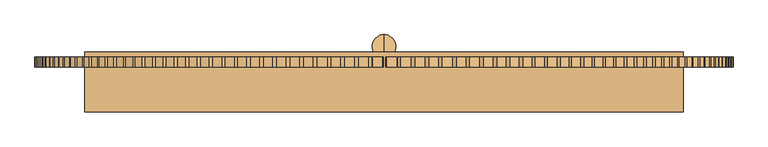
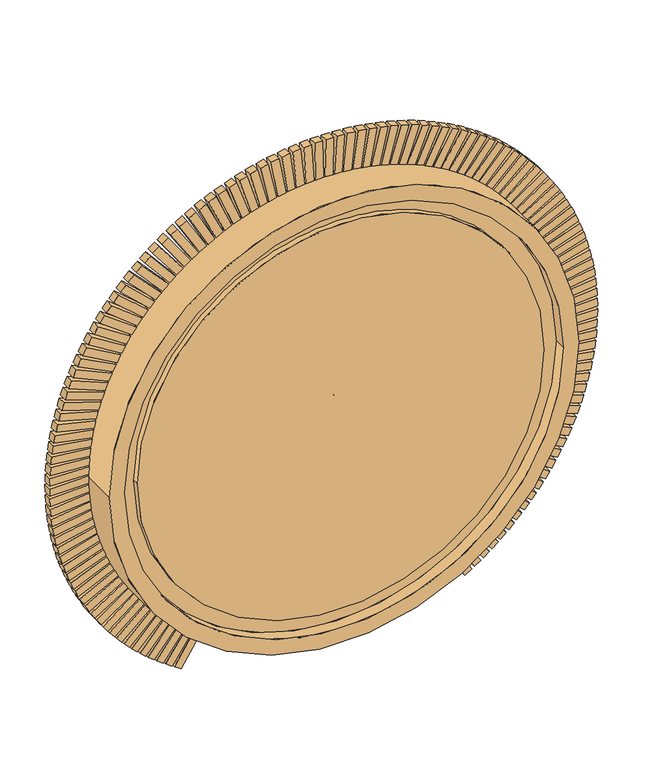
"""IFC4 building model written with IfcOpenShell, lengths in millimetres: door geometry."""

from ifc_helpers import new_model, si_unit, point, frame, frame_2d, origin, place, context, project, spatial, polyline, circle_curve, ellipse_curve, trimmed, segment, composite_curve, outline, extrude, source, transform, mapped, element, save
from ifc_brep_helpers import plane_surface, cylinder_surface, revolved_surface, advanced_brep


def door_62b0d976(model_context):
    return source(origin(), model_context, "Body", "SolidModel", [
        extrude(outline(composite_curve([segment(trimmed(circle_curve(frame_2d((1500.0, 0.0)), 1300.0), [point((1500.0, -1300.0))], [point((1500.0, 1300.0))], False, "CARTESIAN"), True, "CONTINUOUS"), segment(trimmed(circle_curve(frame_2d((1500.0, 0.0)), 1300.0), [point((1500.0, 1300.0))], [point((1500.0, -1300.0))], False, "CARTESIAN"), True, "CONTINUOUS")], self_intersect=False)), frame((0.0, -37.097788, 0.0), z_axis=(0.0, 1.0, 0.0), x_axis=(0.0, 0.0, 1.0)), (0.0, 0.0, 1.0), 74.4024931),
        advanced_brep(
        [(1400.0, 0.0, 1500.0), (-1400.0, 0.0, 1500.0), (-1300.0, 0.0, 1500.0), (1300.0, 0.0, 1500.0), (-1400.0, -75.0, 1500.0), (1400.0, -75.0, 1500.0), (1500.0, -75.0, 1500.0), (-1500.0, -75.0, 1500.0), (-1400.0, 150.0, 1500.0), (1400.0, 150.0, 1500.0), (1300.0, 150.0, 1500.0), (-1300.0, 150.0, 1500.0), (-1500.0, 225.0, 1500.0), (1500.0, 225.0, 1500.0), (1400.0, 225.0, 1500.0), (-1400.0, 225.0, 1500.0)],
        [
            (0, 1, circle_curve(frame((0.0, 0.0, 1500.0), z_axis=(0.0, -1.0, 0.0), x_axis=(1.0, 0.0, 0.0)), 1400.0)),
            (1, 0, circle_curve(frame((0.0, 0.0, 1500.0), z_axis=(0.0, -1.0, 0.0), x_axis=(-1.0, 0.0, 0.0)), 1400.0)),
            (2, 3, circle_curve(frame((0.0, 0.0, 1500.0), z_axis=(0.0, 1.0, 0.0), x_axis=(1.0, 0.0, 0.0)), 1300.0)),
            (3, 2, circle_curve(frame((0.0, 0.0, 1500.0), z_axis=(0.0, 1.0, 0.0), x_axis=(-1.0, 0.0, 0.0)), 1300.0)),
            (1, 4),
            (4, 5, circle_curve(frame((0.0, -75.0, 1500.0), z_axis=(0.0, -1.0, 0.0), x_axis=(-1.0, 0.0, 0.0)), 1400.0)),
            (5, 0),
            (6, 7, circle_curve(frame((0.0, -75.0, 1500.0), z_axis=(0.0, -1.0, 0.0), x_axis=(1.0, 0.0, 0.0)), 1500.0)),
            (7, 6, circle_curve(frame((0.0, -75.0, 1500.0), z_axis=(0.0, -1.0, 0.0), x_axis=(-1.0, 0.0, 0.0)), 1500.0)),
            (4, 5, circle_curve(frame((0.0, -75.0, 1500.0), z_axis=(0.0, 1.0, 0.0), x_axis=(1.0, 0.0, 0.0)), 1400.0)),
            (8, 9, circle_curve(frame((0.0, 150.0, 1500.0), z_axis=(0.0, 1.0, 0.0), x_axis=(1.0, 0.0, 0.0)), 1400.0)),
            (9, 8, circle_curve(frame((0.0, 150.0, 1500.0), z_axis=(0.0, 1.0, 0.0), x_axis=(-1.0, 0.0, 0.0)), 1400.0)),
            (10, 11, circle_curve(frame((0.0, 150.0, 1500.0), z_axis=(0.0, -1.0, 0.0), x_axis=(1.0, 0.0, 0.0)), 1300.0)),
            (11, 10, circle_curve(frame((0.0, 150.0, 1500.0), z_axis=(0.0, -1.0, 0.0), x_axis=(-1.0, 0.0, 0.0)), 1300.0)),
            (11, 2),
            (3, 10),
            (12, 13, circle_curve(frame((0.0, 225.0, 1500.0), z_axis=(0.0, 1.0, 0.0), x_axis=(1.0, 0.0, 0.0)), 1500.0)),
            (13, 12, circle_curve(frame((0.0, 225.0, 1500.0), z_axis=(0.0, 1.0, 0.0), x_axis=(-1.0, 0.0, 0.0)), 1500.0)),
            (14, 15, circle_curve(frame((0.0, 225.0, 1500.0), z_axis=(0.0, -1.0, 0.0), x_axis=(1.0, 0.0, 0.0)), 1400.0)),
            (15, 14, circle_curve(frame((0.0, 225.0, 1500.0), z_axis=(0.0, -1.0, 0.0), x_axis=(-1.0, 0.0, 0.0)), 1400.0)),
            (15, 8),
            (9, 14),
            (7, 12),
            (13, 6),
        ],
        [
            plane_surface(frame((0.0, 0.0, 1500.0), z_axis=(0.0, -1.0, 0.0), x_axis=(1.0, 0.0, 0.0))),
            revolved_surface(polyline([(-1400.0, -75.0, 1500.0), (-1400.0, 0.0, 1500.0)]), (0.0, 150.0, 1500.0), (0.0, -1.0, 0.0)),
            plane_surface(frame((0.0, -75.0, 1500.0), z_axis=(0.0, -1.0, 0.0), x_axis=(1.0, 0.0, 0.0))),
            plane_surface(frame((0.0, 150.0, 1500.0), z_axis=(0.0, 1.0, 0.0), x_axis=(1.0, 0.0, 0.0))),
            revolved_surface(polyline([(-1300.0, 0.0, 1500.0), (-1300.0, 150.0, 1500.0)]), (0.0, 150.0, 1500.0), (0.0, -1.0, 0.0)),
            plane_surface(frame((0.0, 225.0, 1500.0), z_axis=(0.0, 1.0, 0.0), x_axis=(1.0, 0.0, 0.0))),
            revolved_surface(polyline([(-1400.0, 150.0, 1500.0), (-1400.0, 225.0, 1500.0)]), (0.0, 150.0, 1500.0), (0.0, -1.0, 0.0)),
            cylinder_surface(frame((0.0, 150.0, 1500.0), z_axis=(0.0, -1.0, 0.0), x_axis=(-1.0, 0.0, 0.0)), 1500.0),
            cylinder_surface(frame((0.0, 150.0, 1500.0), z_axis=(0.0, -1.0, 0.0), x_axis=(1.0, 0.0, 0.0)), 1500.0),
            revolved_surface(polyline([(1400.0, -75.0, 1500.0), (1400.0, 0.0, 1500.0)]), (0.0, 150.0, 1500.0), (0.0, -1.0, 0.0)),
            revolved_surface(polyline([(1300.0, 0.0, 1500.0), (1300.0, 150.0, 1500.0)]), (0.0, 150.0, 1500.0), (0.0, -1.0, 0.0)),
            revolved_surface(polyline([(1400.0, 150.0, 1500.0), (1400.0, 225.0, 1500.0)]), (0.0, 150.0, 1500.0), (0.0, -1.0, 0.0)),
        ],
        [
            (0, [[1, 2], [3, 4]]),
            (1, [[-2, 5, 6, 7]]),
            (2, [[8, 9], [10, -6]]),
            (3, [[11, 12], [13, 14]]),
            (4, [[-14, 15, -4, 16]]),
            (5, [[17, 18], [19, 20]]),
            (6, [[-20, 21, -12, 22]]),
            (7, [[-9, 23, -18, 24]]),
            (8, [[-8, -24, -17, -23]]),
            (9, [[-1, -7, -10, -5]]),
            (10, [[-13, -16, -3, -15]]),
            (11, [[-19, -22, -11, -21]]),
        ],
    ),
        extrude(outline(polyline([(0.0, -50.0), (0.0, 0.0), (50.7934681, 0.0), (50.7934681, -50.0), (0.0, -50.0)])), frame((-1010.03437, 150.0, 70.6800318), z_axis=(0.565379195530652, 0.0, 0.8248311131747595), x_axis=(0.0, 1.0, 0.0)), (0.0, 0.0, 1.0), 250.0),
        extrude(outline(polyline([(0.0, -50.0), (0.0, 0.0), (50.7934681, 0.0), (50.7934681, -50.0), (0.0, -50.0)])), frame((-1065.9524229, 150.0, 111.8824142), z_axis=(0.5976621262479884, 0.0, 0.8017480794169286), x_axis=(0.0, 1.0, 0.0)), (0.0, 0.0, 1.0), 250.0),
        extrude(outline(polyline([(0.0, -50.0), (0.0, 0.0), (50.7934681, 0.0), (50.7934681, -50.0), (0.0, -50.0)])), frame((-1120.1915858, 150.0, 155.2711012), z_axis=(0.629003730711468, 0.0, 0.777402281158896), x_axis=(0.0, 1.0, 0.0)), (0.0, 0.0, 1.0), 250.0),
        extrude(outline(polyline([(0.0, -49.9999999), (0.0, 0.0), (50.7934681, 0.0), (50.7934681, -49.9999999), (0.0, -49.9999999)])), frame((-1172.6664311, 150.0, 200.7777552), z_axis=(0.6593546454532913, 0.0, 0.7518320633753023), x_axis=(0.0, 1.0, 0.0)), (0.0, 0.0, 1.0), 250.0),
        extrude(outline(polyline([(0.0, -50.0), (0.0, 0.0), (50.7934681, 0.0), (50.7934681, -50.0), (0.0, -50.0)])), frame((-1225.4986525, 150.0, 250.4888746), z_axis=(0.6899440485846884, 0.0, 0.7238627009471956), x_axis=(0.0, 1.0, 0.0)), (0.0, 0.0, 1.0), 250.0),
        extrude(outline(polyline([(0.0, -250.0), (0.0, 0.0), (50.7934681, 0.0), (50.7934681, -250.0), (0.0, -250.0)])), frame((-1239.7522058, 150.0, 264.6298254), z_axis=(-0.6956634157603079, 0.0, 0.7183678806660979), x_axis=(0.0, 1.0, 0.0)), (0.0, 0.0, 1.0), 50.0),
        extrude(outline(polyline([(0.0, -250.0), (0.0, 0.0), (50.7934681, 0.0), (50.7934681, -250.0), (0.0, -250.0)])), frame((-1288.21143, 150.0, 315.2484178), z_axis=(-0.6663489028712898, 0.0, 0.7456400872017467), x_axis=(0.0, 1.0, 0.0)), (0.0, 0.0, 1.0), 50.0),
        extrude(outline(polyline([(0.0, -250.0), (0.0, 0.0), (50.7934681, 0.0), (50.7934681, -250.0), (0.0, -250.0)])), frame((-1334.6055046, 150.0, 367.7663019), z_axis=(-0.6359661567836712, 0.0, 0.7717169477378394), x_axis=(0.0, 1.0, 0.0)), (0.0, 0.0, 1.0), 50.0),
        extrude(outline(polyline([(0.0, -250.0), (0.0, 0.0), (50.7934681, 0.0), (50.7934681, -250.0), (0.0, -250.0)])), frame((-1378.8600546, 150.0, 422.0992857), z_axis=(-0.604563884500489, 0.0, 0.796556658096384), x_axis=(0.0, 1.0, 0.0)), (0.0, 0.0, 1.0), 50.0),
        extrude(outline(polyline([(0.0, -250.0000001), (0.0, 0.0), (50.7934681, 0.0), (50.7934681, -250.0000001), (0.0, -250.0000001)])), frame((-1420.9041348, 150.0, 478.160267), z_axis=(-0.5721924274414093, 0.0, 0.8201193973920552), x_axis=(0.0, 1.0, 0.0)), (0.0, 0.0, 1.0), 50.0),
        extrude(outline(polyline([(0.0, -250.0), (0.0, 0.0), (50.7934681, 0.0), (50.7934681, -250.0), (0.0, -250.0)])), frame((-1460.6703438, 150.0, 535.8593739), z_axis=(-0.5389036807397022, 0.0, 0.8423673918696054), x_axis=(0.0, 1.0, 0.0)), (0.0, 0.0, 1.0), 50.0),
        extrude(outline(polyline([(0.0, -250.0), (0.0, 0.0), (50.7934681, 0.0), (50.7934681, -250.0), (0.0, -250.0)])), frame((-1498.0949318, 150.0, 595.104108), z_axis=(-0.504751010048425, 0.0, 0.8632649754595022), x_axis=(0.0, 1.0, 0.0)), (0.0, 0.0, 1.0), 50.0),
        extrude(outline(polyline([(0.0, -250.0), (0.0, 0.0), (50.7934681, 0.0), (50.7934681, -250.0), (0.0, -250.0)])), frame((-1533.117903, 150.0, 655.7994933), z_axis=(-0.46978916598920667, 0.0, 0.882778646954697), x_axis=(0.0, 1.0, 0.0)), (0.0, 0.0, 1.0), 50.0),
        extrude(outline(polyline([(0.0, -250.0), (0.0, 0.0), (50.7934681, 0.0), (50.7934681, -250.0), (0.0, -250.0)])), frame((-1565.6831116, 150.0, 717.8482282), z_axis=(-0.43407419638075984, 0.0, 0.9008771237168793), x_axis=(0.0, 1.0, 0.0)), (0.0, 0.0, 1.0), 50.0),
        extrude(outline(polyline([(0.0, -250.0), (0.0, 0.0), (50.7934681, 0.0), (50.7934681, -250.0), (0.0, -250.0)])), frame((-1595.7383518, 150.0, 781.1508415), z_axis=(-0.3976633563878474, 0.0, 0.9175313918261064), x_axis=(0.0, 1.0, 0.0)), (0.0, 0.0, 1.0), 50.0),
        extrude(outline(polyline([(0.0, -250.0), (0.0, 0.0), (50.7934681, 0.0), (50.7934681, -250.0), (0.0, -250.0)])), frame((-1623.2354416, 150.0, 845.6058519), z_axis=(-0.36061501673472607, 0.0, 0.9327147525934246), x_axis=(0.0, 1.0, 0.0)), (0.0, 0.0, 1.0), 50.0),
        extrude(outline(polyline([(0.0, -250.0), (0.0, 0.0), (50.7934681, 0.0), (50.7934681, -250.0), (0.0, -250.0)])), frame((-1648.1303001, 150.0, 911.1099306), z_axis=(-0.3229885701302319, 0.0, 0.9464028653619072), x_axis=(0.0, 1.0, 0.0)), (0.0, 0.0, 1.0), 50.0),
        extrude(outline(polyline([(0.0, -250.0), (0.0, 0.0), (50.7934681, 0.0), (50.7934681, -250.0), (0.0, -250.0)])), frame((-1670.383018, 150.0, 977.5580672), z_axis=(-0.28484433605449766, 0.0, 0.9585737865275017), x_axis=(0.0, 1.0, 0.0)), (0.0, 0.0, 1.0), 50.0),
        extrude(outline(polyline([(0.0, -250.0), (0.0, 0.0), (50.7934681, 0.0), (50.7934681, -250.0), (0.0, -250.0)])), frame((-1689.9579217, 150.0, 1044.8437378), z_axis=(-0.24624346405995598, 0.0, 0.9692080047171263), x_axis=(0.0, 1.0, 0.0)), (0.0, 0.0, 1.0), 50.0),
        extrude(outline(polyline([(0.0, -250.0), (0.0, 0.0), (50.7934681, 0.0), (50.7934681, -250.0), (0.0, -250.0)])), frame((-1732.3236981, 150.0, 1250.6416131), z_axis=(-0.12832290049285772, 0.0, 0.9917324403331275), x_axis=(0.0, 1.0, 0.0)), (0.0, 0.0, 1.0), 50.0),
        extrude(outline(polyline([(0.0, -249.9999999), (0.0, 0.0), (50.7934681, 0.0), (50.7934681, -249.9999999), (0.0, -249.9999999)])), frame((-1740.9171778, 150.0, 1320.1879316), z_axis=(-0.08852011922434251, 0.0, 0.9960743890355319), x_axis=(0.0, 1.0, 0.0)), (0.0, 0.0, 1.0), 50.0),
        extrude(outline(polyline([(0.0, -249.9999999), (0.0, 0.0), (50.7934681, 0.0), (50.7934681, -249.9999999), (0.0, -249.9999999)])), frame((-1746.719769, 150.0, 1390.0225094), z_axis=(-0.048575430120920464, 0.0, 0.9988195170242558), x_axis=(0.0, 1.0, 0.0)), (0.0, 0.0, 1.0), 50.0),
        extrude(outline(polyline([(0.0, -250.0), (0.0, 0.0), (50.7934681, 0.0), (50.7934681, -250.0), (0.0, -250.0)])), frame((-1749.7221695, 150.0, 1460.0333935), z_axis=(-0.00855286906953174, 0.0, 0.9999634235464213), x_axis=(0.0, 1.0, 0.0)), (0.0, 0.0, 1.0), 50.0),
        extrude(outline(polyline([(0.0, -250.0), (0.0, 0.0), (50.7934681, 0.0), (50.7934681, -250.0), (0.0, -250.0)])), frame((-1749.919566, 150.0, 1530.1083487), z_axis=(0.031483403205277045, 0.0, 0.9995042747895649), x_axis=(0.0, 1.0, 0.0)), (0.0, 0.0, 1.0), 50.0),
        extrude(outline(polyline([(0.0, -250.0), (0.0, 0.0), (50.7934681, 0.0), (50.7934681, -250.0), (0.0, -250.0)])), frame((-1747.311642, 150.0, 1600.1350368), z_axis=(0.07146920399830839, 0.0, 0.9974428068214479), x_axis=(0.0, 1.0, 0.0)), (0.0, 0.0, 1.0), 50.0),
        extrude(outline(polyline([(0.0, -250.0), (0.0, 0.0), (50.7934681, 0.0), (50.7934681, -250.0), (0.0, -250.0)])), frame((-1741.9025785, 150.0, 1670.001197), z_axis=(0.11134043151589675, 0.0, 0.9937823244100561), x_axis=(0.0, 1.0, 0.0)), (0.0, 0.0, 1.0), 50.0),
        extrude(outline(polyline([(0.0, -250.0), (0.0, 0.0), (50.7934681, 0.0), (50.7934681, -250.0), (0.0, -250.0)])), frame((-1733.7010467, 150.0, 1739.594826), z_axis=(0.15103316763839492, 0.0, 0.9885286957256793), x_axis=(0.0, 1.0, 0.0)), (0.0, 0.0, 1.0), 50.0),
        extrude(outline(polyline([(0.0, -250.0), (0.0, 0.0), (50.7934681, 0.0), (50.7934681, -250.0), (0.0, -250.0)])), frame((-1722.7201946, 150.0, 1808.8043571), z_axis=(0.1904837803881886, 0.0, 0.9816903429335669), x_axis=(0.0, 1.0, 0.0)), (0.0, 0.0, 1.0), 50.0),
        extrude(outline(polyline([(0.0, -250.0), (0.0, 0.0), (50.7934681, 0.0), (50.7934681, -250.0), (0.0, -250.0)])), frame((-1708.9776259, 150.0, 1877.5188397), z_axis=(0.22962902593901285, 0.0, 0.9732782286922379), x_axis=(0.0, 1.0, 0.0)), (0.0, 0.0, 1.0), 50.0),
        extrude(outline(polyline([(0.0, -250.0000001), (0.0, 0.0), (50.7934681, 0.0), (50.7934681, -250.0000001), (0.0, -250.0000001)])), frame((-1692.4953713, 150.0, 1945.6281165), z_axis=(0.26840615000301055, 0.0, 0.9633058385790888), x_axis=(0.0, 1.0, 0.0)), (0.0, 0.0, 1.0), 50.0),
        extrude(outline(polyline([(0.0, -250.0), (0.0, 0.0), (50.7934681, 0.0), (50.7934681, -250.0), (0.0, -250.0)])), frame((-1673.2998538, 150.0, 2013.0230008), z_axis=(0.30675298843300186, 0.0, 0.951789159471478), x_axis=(0.0, 1.0, 0.0)), (0.0, 0.0, 1.0), 50.0),
        extrude(outline(polyline([(0.0, -250.0), (0.0, 0.0), (50.7934681, 0.0), (50.7934681, -250.0), (0.0, -250.0)])), frame((-1651.421846, 150.0, 2079.5954507), z_axis=(0.3446080668786949, 0.0, 0.9387466539179403), x_axis=(0.0, 1.0, 0.0)), (0.0, 0.0, 1.0), 50.0),
        extrude(outline(polyline([(0.0, -250.0), (0.0, 0.0), (50.7934681, 0.0), (50.7934681, -250.0), (0.0, -250.0)])), frame((-1626.8964209, 150.0, 2145.2387431), z_axis=(0.38191069933706734, 0.0, 0.9241992305406189), x_axis=(0.0, 1.0, 0.0)), (0.0, 0.0, 1.0), 50.0),
        extrude(outline(polyline([(0.0, -250.0), (0.0, 0.0), (50.7934681, 0.0), (50.7934681, -250.0), (0.0, -250.0)])), frame((-1599.7628955, 150.0, 2209.8476443), z_axis=(0.4186010854389528, 0.0, 0.9081702105163605), x_axis=(0.0, 1.0, 0.0)), (0.0, 0.0, 1.0), 50.0),
        extrude(outline(polyline([(0.0, -250.0), (0.0, 0.0), (50.7934681, 0.0), (50.7934681, -250.0), (0.0, -250.0)])), frame((-1466.0789595, 150.0, 2455.8961682), z_axis=(0.5580804793606498, 0.0, 0.8297868271770693), x_axis=(0.0, 1.0, 0.0)), (0.0, 0.0, 1.0), 50.0),
        extrude(outline(polyline([(0.0, -249.9999999), (0.0, 0.0), (50.7934681, 0.0), (50.7934681, -249.9999999), (0.0, -249.9999999)])), frame((-1426.6384481, 150.0, 2513.8183951), z_axis=(0.5908502436797551, 0.0, 0.8067812525979853), x_axis=(0.0, 1.0, 0.0)), (0.0, 0.0, 1.0), 50.0),
        extrude(outline(polyline([(0.0, -250.0000001), (0.0, 0.0), (50.7934681, 0.0), (50.7934681, -250.0000001), (0.0, -250.0000001)])), frame((-1384.9108728, 150.0, 2570.1153557), z_axis=(0.6226728077513933, 0.0, 0.7824823157663031), x_axis=(0.0, 1.0, 0.0)), (0.0, 0.0, 1.0), 50.0),
        extrude(outline(polyline([(0.0, -250.0), (0.0, 0.0), (50.7934681, 0.0), (50.7934681, -250.0), (0.0, -250.0)])), frame((-1340.9631275, 150.0, 2624.6967994), z_axis=(0.6534971563802808, 0.0, 0.7569289706457845), x_axis=(0.0, 1.0, 0.0)), (0.0, 0.0, 1.0), 50.0),
        extrude(outline(polyline([(0.0, -249.9999999), (0.0, 0.0), (50.7934681, 0.0), (50.7934681, -249.9999999), (0.0, -249.9999999)])), frame((-1294.8656656, 150.0, 2677.475226), z_axis=(0.6832738746242039, 0.0, 0.730162182159572), x_axis=(0.0, 1.0, 0.0)), (0.0, 0.0, 1.0), 50.0),
        extrude(outline(polyline([(0.0, -50.0), (0.0, 0.0), (50.7934681, 0.0), (50.7934681, -50.0), (0.0, -50.0)])), frame((-1071.1361715, 150.0, 2550.377219), z_axis=(-0.7022248605187603, 0.0, 0.7119552270117888), x_axis=(0.0, 1.0, 0.0)), (0.0, 0.0, 1.0), 250.0),
        extrude(outline(polyline([(0.0, -50.0), (0.0, 0.0), (50.7934681, 0.0), (50.7934681, -50.0), (0.0, -50.0)])), frame((-1028.2300695, 150.0, 2592.4138063), z_axis=(-0.6731617924324126, 0.0, 0.7394952340679294), x_axis=(0.0, 1.0, 0.0)), (0.0, 0.0, 1.0), 250.0),
        extrude(outline(polyline([(0.0, -50.0), (0.0, 0.0), (50.7934681, 0.0), (50.7934681, -50.0), (0.0, -50.0)])), frame((-983.6755976, 150.0, 2632.6991298), z_axis=(-0.6430195693094145, 0.0, 0.7658497460240717), x_axis=(0.0, 1.0, 0.0)), (0.0, 0.0, 1.0), 250.0),
        extrude(outline(polyline([(0.0, -50.0), (0.0, 0.0), (50.7934681, 0.0), (50.7934681, -50.0), (0.0, -50.0)])), frame((-937.5441817, 150.0, 2671.1686076), z_axis=(-0.611846512567081, 0.0, 0.790976513595379), x_axis=(0.0, 1.0, 0.0)), (0.0, 0.0, 1.0), 250.0),
        extrude(outline(polyline([(0.0, -49.9999999), (0.0, 0.0), (50.7934681, 0.0), (50.7934681, -49.9999999), (0.0, -49.9999999)])), frame((-889.9097756, 150.0, 2707.7605687), z_axis=(-0.5796925961664452, 0.0, 0.8148352557111203), x_axis=(0.0, 1.0, 0.0)), (0.0, 0.0, 1.0), 250.0),
        extrude(outline(polyline([(0.0, -50.0), (0.0, 0.0), (50.7934681, 0.0), (50.7934681, -50.0), (0.0, -50.0)])), frame((-840.8487428, 150.0, 2742.416352), z_axis=(-0.5466093664983472, 0.0, 0.8373877240897885), x_axis=(0.0, 1.0, 0.0)), (0.0, 0.0, 1.0), 250.0),
        extrude(outline(polyline([(0.0, -50.0), (0.0, 0.0), (50.7934681, 0.0), (50.7934681, -50.0), (0.0, -50.0)])), frame((-790.4397337, 150.0, 2775.0804003), z_axis=(-0.5126498597486042, 0.0, 0.8585977645555203), x_axis=(0.0, 1.0, 0.0)), (0.0, 0.0, 1.0), 250.0),
        extrude(outline(polyline([(0.0, -50.0), (0.0, 0.0), (50.7934681, 0.0), (50.7934681, -50.0), (0.0, -50.0)])), frame((-738.7635597, 150.0, 2805.7003496), z_axis=(-0.4778685168750481, 0.0, 0.8784313749972971), x_axis=(0.0, 1.0, 0.0)), (0.0, 0.0, 1.0), 250.0),
        extrude(outline(polyline([(0.0, -50.0), (0.0, 0.0), (50.7934681, 0.0), (50.7934681, -50.0), (0.0, -50.0)])), frame((-685.9030635, 150.0, 2834.2271124), z_axis=(-0.4423210963324402, 0.0, 0.896856759878225), x_axis=(0.0, 1.0, 0.0)), (0.0, 0.0, 1.0), 250.0),
        extrude(outline(polyline([(0.0, -50.0), (0.0, 0.0), (50.7934681, 0.0), (50.7934681, -50.0), (0.0, -50.0)])), frame((-631.9429866, 150.0, 2860.6149572), z_axis=(-0.40606458468529416, 0.0, 0.9138443812074131), x_axis=(0.0, 1.0, 0.0)), (0.0, 0.0, 1.0), 250.0),
        extrude(outline(polyline([(0.0, -50.0), (0.0, 0.0), (50.7934681, 0.0), (50.7934681, -50.0), (0.0, -50.0)])), frame((-576.969833, 150.0, 2884.8215812), z_axis=(-0.36915710525195994, 0.0, 0.9293670058927169), x_axis=(0.0, 1.0, 0.0)), (0.0, 0.0, 1.0), 250.0),
        extrude(outline(polyline([(0.0, -49.9999999), (0.0, 0.0), (50.7934681, 0.0), (50.7934681, -49.9999999), (0.0, -49.9999999)])), frame((-521.0717311, 150.0, 2906.8081785), z_axis=(-0.33165782492627455, 0.0, 0.9433997493985107), x_axis=(0.0, 1.0, 0.0)), (0.0, 0.0, 1.0), 250.0),
        extrude(outline(polyline([(0.0, -50.0), (0.0, 0.0), (50.7934681, 0.0), (50.7934681, -50.0), (0.0, -50.0)])), frame((-464.3382919, 150.0, 2926.539502), z_axis=(-0.2936268593263471, 0.0, 0.9559201156384071), x_axis=(0.0, 1.0, 0.0)), (0.0, 0.0, 1.0), 250.0),
        extrude(outline(polyline([(0.0, -50.0000001), (0.0, 0.0), (50.7934681, 0.0), (50.7934681, -50.0000001), (0.0, -50.0000001)])), frame((-406.8604655, 150.0, 2943.9839201), z_axis=(-0.2551251764223545, 0.0, 0.9669080330390593), x_axis=(0.0, 1.0, 0.0)), (0.0, 0.0, 1.0), 250.0),
        extrude(outline(polyline([(0.0, -50.0000001), (0.0, 0.0), (50.7934681, 0.0), (50.7934681, -50.0000001), (0.0, -50.0000001)])), frame((-348.7303954, 150.0, 2959.1134676), z_axis=(-0.216214498797909, 0.0, 0.9763458867171865), x_axis=(0.0, 1.0, 0.0)), (0.0, 0.0, 1.0), 250.0),
        extrude(outline(polyline([(0.0, -50.0), (0.0, 0.0), (50.7934681, 0.0), (50.7934681, -50.0), (0.0, -50.0)])), frame((-290.0412707, 150.0, 2971.90389), z_axis=(-0.17695720470175869, 0.0, 0.9842185467182276), x_axis=(0.0, 1.0, 0.0)), (0.0, 0.0, 1.0), 250.0),
        extrude(outline(polyline([(0.0, -50.0), (0.0, 0.0), (50.7934681, 0.0), (50.7934681, -50.0), (0.0, -50.0)])), frame((-230.8871769, 150.0, 2982.3346827), z_axis=(-0.13741622804835124, 0.0, 0.9905133922713835), x_axis=(0.0, 1.0, 0.0)), (0.0, 0.0, 1.0), 250.0),
        extrude(outline(polyline([(0.0, -50.0), (0.0, 0.0), (50.7934681, 0.0), (50.7934681, -50.0), (0.0, -50.0)])), frame((-171.3629446, 150.0, 2990.3891241), z_axis=(-0.09765495752757475, 0.0, 0.9952203320221547), x_axis=(0.0, 1.0, 0.0)), (0.0, 0.0, 1.0), 250.0),
        extrude(outline(polyline([(0.0, -50.0), (0.0, 0.0), (50.7934681, 0.0), (50.7934681, -50.0), (0.0, -50.0)])), frame((-111.563998, 150.0, 2996.0543019), z_axis=(-0.05773713498549464, 0.0, 0.9983318202099274), x_axis=(0.0, 1.0, 0.0)), (0.0, 0.0, 1.0), 250.0),
        extrude(outline(polyline([(0.0, -50.0000001), (0.0, 0.0), (50.7934681, 0.0), (50.7934681, -50.0000001), (0.0, -50.0000001)])), frame((-51.5862016, 150.0, 2999.3211343), z_axis=(-0.017726753238895825, 0.0, 0.9998428687646911), x_axis=(0.0, 1.0, 0.0)), (0.0, 0.0, 1.0), 250.0),
        extrude(outline(polyline([(0.0, -50.0), (0.0, 0.0), (50.7934681, 0.0), (50.7934681, -50.0), (0.0, -50.0)])), frame((8.4742934, 150.0, 3000.1843841), z_axis=(0.02231204651249348, 0.0, 0.9997510553034813), x_axis=(0.0, 1.0, 0.0)), (0.0, 0.0, 1.0), 250.0),
        extrude(outline(polyline([(0.0, -50.0), (0.0, 0.0), (50.7934681, 0.0), (50.7934681, -50.0), (0.0, -50.0)])), frame((68.5212031, 150.0, 2998.6426675), z_axis=(0.06231507751164101, 0.0, 0.9980565270137349), x_axis=(0.0, 1.0, 0.0)), (0.0, 0.0, 1.0), 250.0),
        extrude(outline(polyline([(0.0, -50.0), (0.0, 0.0), (50.7934681, 0.0), (50.7934681, -50.0), (0.0, -50.0)])), frame((128.4582655, 150.0, 2994.6984559), z_axis=(0.10221821034290259, 0.0, 0.9947620004173331), x_axis=(0.0, 1.0, 0.0)), (0.0, 0.0, 1.0), 250.0),
        extrude(outline(polyline([(0.0, -50.0), (0.0, 0.0), (50.7934681, 0.0), (50.7934681, -50.0), (0.0, -50.0)])), frame((188.1893947, 150.0, 2988.3580724), z_axis=(0.14195747573876927, 0.0, 0.989872757015707), x_axis=(0.0, 1.0, 0.0)), (0.0, 0.0, 1.0), 250.0),
        extrude(outline(polyline([(0.0, -50.0), (0.0, 0.0), (50.7934681, 0.0), (50.7934681, -50.0), (0.0, -50.0)])), frame((247.6188348, 150.0, 2979.6316814), z_axis=(0.18146916712990985, 0.0, 0.9833966348229878), x_axis=(0.0, 1.0, 0.0)), (0.0, 0.0, 1.0), 250.0),
        extrude(outline(polyline([(0.0, -50.0), (0.0, 0.0), (50.7934681, 0.0), (50.7934681, -50.0), (0.0, -50.0)])), frame((306.6513138, 150.0, 2968.5332723), z_axis=(0.220689942774031, 0.0, 0.9753440158007814), x_axis=(0.0, 1.0, 0.0)), (0.0, 0.0, 1.0), 250.0),
        extrude(outline(polyline([(0.0, -50.0), (0.0, 0.0), (50.7934681, 0.0), (50.7934681, -50.0), (0.0, -50.0)])), frame((365.1921957, 150.0, 2955.080637), z_axis=(0.25955692729993796, 0.0, 0.9657278092146953), x_axis=(0.0, 1.0, 0.0)), (0.0, 0.0, 1.0), 250.0),
        extrude(outline(polyline([(0.0, -49.9999999), (0.0, 0.0), (50.7934681, 0.0), (50.7934681, -49.9999999), (0.0, -49.9999999)])), frame((423.147633, 150.0, 2939.2953417), z_axis=(0.29800781250389896, 0.0, 0.9545634309393175), x_axis=(0.0, 1.0, 0.0)), (0.0, 0.0, 1.0), 250.0),
        extrude(outline(polyline([(0.0, -49.9999999), (0.0, 0.0), (50.7934681, 0.0), (50.7934681, -49.9999999), (0.0, -49.9999999)])), frame((480.4247164, 150.0, 2921.202692), z_axis=(0.3359809572367793, 0.0, 0.9418687787448194), x_axis=(0.0, 1.0, 0.0)), (0.0, 0.0, 1.0), 250.0),
        extrude(outline(polyline([(0.0, -50.0), (0.0, 0.0), (50.7934681, 0.0), (50.7934681, -50.0), (0.0, -50.0)])), frame((536.9316242, 150.0, 2900.8316926), z_axis=(0.37341548622185883, 0.0, 0.9276642036047811), x_axis=(0.0, 1.0, 0.0)), (0.0, 0.0, 1.0), 250.0),
        extrude(outline(polyline([(0.0, -50.0), (0.0, 0.0), (50.7934681, 0.0), (50.7934681, -50.0), (0.0, -50.0)])), frame((592.5777695, 150.0, 2878.2150003), z_axis=(0.4102513876448017, 0.0, 0.9119724770712737), x_axis=(0.0, 1.0, 0.0)), (0.0, 0.0, 1.0), 250.0),
        extrude(outline(polyline([(0.0, -50.0), (0.0, 0.0), (50.7934681, 0.0), (50.7934681, -50.0), (0.0, -50.0)])), frame((647.2739452, 150.0, 2853.3888724), z_axis=(0.44642960935947185, 0.0, 0.8948187547694502), x_axis=(0.0, 1.0, 0.0)), (0.0, 0.0, 1.0), 250.0),
        extrude(outline(polyline([(0.0, -50.0), (0.0, 0.0), (50.7934681, 0.0), (50.7934681, -50.0), (0.0, -50.0)])), frame((700.9324669, 150.0, 2826.3931079), z_axis=(0.4818921535551836, 0.0, 0.8762305360702441), x_axis=(0.0, 1.0, 0.0)), (0.0, 0.0, 1.0), 250.0),
        extrude(outline(polyline([(0.0, -50.0), (0.0, 0.0), (50.7934681, 0.0), (50.7934681, -50.0), (0.0, -50.0)])), frame((753.4673141, 150.0, 2797.2709843), z_axis=(0.5165821697339037, 0.0, 0.8562376200056924), x_axis=(0.0, 1.0, 0.0)), (0.0, 0.0, 1.0), 250.0),
        extrude(outline(polyline([(0.0, -50.0), (0.0, 0.0), (50.7934681, 0.0), (50.7934681, -50.0), (0.0, -50.0)])), frame((804.7942673, 150.0, 2766.0691874), z_axis=(0.550444045847924, 0.0, 0.8348720574977753), x_axis=(0.0, 1.0, 0.0)), (0.0, 0.0, 1.0), 250.0),
        extrude(outline(polyline([(0.0, -50.0), (0.0, 0.0), (50.7934681, 0.0), (50.7934681, -50.0), (0.0, -50.0)])), frame((854.8310437, 150.0, 2732.8377374), z_axis=(0.5834234974525555, 0.0, 0.8121680999769864), x_axis=(0.0, 1.0, 0.0)), (0.0, 0.0, 1.0), 250.0),
        extrude(outline(polyline([(0.0, -50.0), (0.0, 0.0), (50.7934681, 0.0), (50.7934681, -50.0), (0.0, -50.0)])), frame((903.4974285, 150.0, 2697.6299081), z_axis=(0.6154676547298824, 0.0, 0.7881621444736473), x_axis=(0.0, 1.0, 0.0)), (0.0, 0.0, 1.0), 250.0),
        extrude(outline(polyline([(0.0, -50.0000001), (0.0, 0.0), (50.7934681, 0.0), (50.7934681, -50.0000001), (0.0, -50.0000001)])), frame((950.715404, 150.0, 2660.5021416), z_axis=(0.6465251472455461, 0.0, 0.7628926752690217), x_axis=(0.0, 1.0, 0.0)), (0.0, 0.0, 1.0), 250.0),
        extrude(outline(polyline([(0.0, -50.0000001), (0.0, 0.0), (50.7934681, 0.0), (50.7934681, -50.0000001), (0.0, -50.0000001)])), frame((996.4092744, 150.0, 2621.513958), z_axis=(0.676546186301096, 0.0, 0.7364002022008432), x_axis=(0.0, 1.0, 0.0)), (0.0, 0.0, 1.0), 250.0),
        extrude(outline(polyline([(0.0, -50.0), (0.0, 0.0), (50.7934681, 0.0), (50.7934681, -50.0), (0.0, -50.0)])), frame((1040.5057872, 150.0, 2580.7278597), z_axis=(0.7054826447510828, 0.0, 0.708727195721328), x_axis=(0.0, 1.0, 0.0)), (0.0, 0.0, 1.0), 250.0),
        extrude(outline(polyline([(0.0, -250.0), (0.0, 0.0), (50.7934681, 0.0), (50.7934681, -250.0), (0.0, -250.0)])), frame((1116.9301517, 150.0, 2501.5448249), z_axis=(-0.6799180188122346, 0.0, 0.7332881341563124), x_axis=(0.0, 1.0, 0.0)), (0.0, 0.0, 1.0), 50.0),
        extrude(outline(polyline([(0.0, -250.0), (0.0, 0.0), (50.7934681, 0.0), (50.7934681, -250.0), (0.0, -250.0)])), frame((1156.1275901, 150.0, 2456.0303318), z_axis=(-0.6500188558659602, 0.0, 0.7599180791497911), x_axis=(0.0, 1.0, 0.0)), (0.0, 0.0, 1.0), 50.0),
        extrude(outline(polyline([(0.0, -250.0), (0.0, 0.0), (50.7934681, 0.0), (50.7934681, -250.0), (0.0, -250.0)])), frame((1193.4716243, 150.0, 2408.9832132), z_axis=(-0.6190776386466778, 0.0, 0.7853297888961386), x_axis=(0.0, 1.0, 0.0)), (0.0, 0.0, 1.0), 50.0),
        extrude(outline(polyline([(0.0, -250.0), (0.0, 0.0), (50.7934681, 0.0), (50.7934681, -250.0), (0.0, -250.0)])), frame((1228.9023875, 150.0, 2360.478891), z_axis=(-0.5871439694502621, 0.0, 0.8094825255298534), x_axis=(0.0, 1.0, 0.0)), (0.0, 0.0, 1.0), 50.0),
        extrude(outline(polyline([(0.0, -250.0), (0.0, 0.0), (50.7934681, 0.0), (50.7934681, -250.0), (0.0, -250.0)])), frame((1262.3630802, 150.0, 2310.5951231), z_axis=(-0.5542690415861715, 0.0, 0.8323375694627432), x_axis=(0.0, 1.0, 0.0)), (0.0, 0.0, 1.0), 50.0),
        extrude(outline(polyline([(0.0, -250.0), (0.0, 0.0), (50.7934681, 0.0), (50.7934681, -250.0), (0.0, -250.0)])), frame((1375.4814629, 150.0, 2098.8954377), z_axis=(-0.4144316326245613, 0.0, 0.9100804480265142), x_axis=(0.0, 1.0, 0.0)), (0.0, 0.0, 1.0), 50.0),
        extrude(outline(polyline([(0.0, -250.0), (0.0, 0.0), (50.7934681, 0.0), (50.7934681, -250.0), (0.0, -250.0)])), frame((1398.353248, 150.0, 2043.3536544), z_axis=(-0.37766812008642303, 0.0, 0.9259410300177799), x_axis=(0.0, 1.0, 0.0)), (0.0, 0.0, 1.0), 50.0),
        extrude(outline(polyline([(0.0, -250.0), (0.0, 0.0), (50.7934681, 0.0), (50.7934681, -250.0), (0.0, -250.0)])), frame((1418.9833137, 150.0, 1986.9408132), z_axis=(-0.34029916252963044, 0.0, 0.9403172230591293), x_axis=(0.0, 1.0, 0.0)), (0.0, 0.0, 1.0), 50.0),
        extrude(outline(polyline([(0.0, -250.0), (0.0, 0.0), (50.7934681, 0.0), (50.7934681, -250.0), (0.0, -250.0)])), frame((1437.3385874, 150.0, 1929.7473505), z_axis=(-0.30238466665004016, 0.0, 0.9531859804754496), x_axis=(0.0, 1.0, 0.0)), (0.0, 0.0, 1.0), 50.0),
        extrude(outline(polyline([(0.0, -250.0), (0.0, 0.0), (50.7934681, 0.0), (50.7934681, -250.0), (0.0, -250.0)])), frame((1453.3896436, 150.0, 1871.8649538), z_axis=(-0.2639854137035887, 0.0, 0.9645266721826542), x_axis=(0.0, 1.0, 0.0)), (0.0, 0.0, 1.0), 50.0),
        extrude(outline(polyline([(0.0, -250.0), (0.0, 0.0), (50.7934681, 0.0), (50.7934681, -250.0), (0.0, -250.0)])), frame((1467.1107507, 150.0, 1813.3864152), z_axis=(-0.22516296206700434, 0.0, 0.9743211177600601), x_axis=(0.0, 1.0, 0.0)), (0.0, 0.0, 1.0), 50.0),
        extrude(outline(polyline([(0.0, -250.0), (0.0, 0.0), (50.7934681, 0.0), (50.7934681, -250.0), (0.0, -250.0)])), frame((1478.4799121, 150.0, 1754.4054824), z_axis=(-0.18597954855273627, 0.0, 0.9825536155956685), x_axis=(0.0, 1.0, 0.0)), (0.0, 0.0, 1.0), 50.0),
        extrude(outline(polyline([(0.0, -250.0), (0.0, 0.0), (50.7934681, 0.0), (50.7934681, -250.0), (0.0, -250.0)])), frame((1487.4789018, 150.0, 1695.0167088), z_axis=(-0.14649798863623173, 0.0, 0.9892109680576427), x_axis=(0.0, 1.0, 0.0)), (0.0, 0.0, 1.0), 50.0),
        extrude(outline(polyline([(0.0, -249.9999999), (0.0, 0.0), (50.7934681, 0.0), (50.7934681, -249.9999999), (0.0, -249.9999999)])), frame((1494.0932934, 150.0, 1635.3153011), z_axis=(-0.10678157575558869, 0.0, 0.9942825026516123), x_axis=(0.0, 1.0, 0.0)), (0.0, 0.0, 1.0), 50.0),
        extrude(outline(polyline([(0.0, -250.0), (0.0, 0.0), (50.7934681, 0.0), (50.7934681, -250.0), (0.0, -250.0)])), frame((1498.3124832, 150.0, 1575.3969675), z_axis=(-0.06689397984495878, 0.0, 0.9977600891298982), x_axis=(0.0, 1.0, 0.0)), (0.0, 0.0, 1.0), 50.0),
        extrude(outline(polyline([(0.0, -250.0000001), (0.0, 0.0), (50.7934681, 0.0), (50.7934681, -250.0000001), (0.0, -250.0000001)])), frame((1500.1297074, 150.0, 1515.3577641), z_axis=(-0.02689914526439646, 0.0, 0.999638152525225), x_axis=(0.0, 1.0, 0.0)), (0.0, 0.0, 1.0), 50.0),
        extrude(outline(polyline([(0.0, -250.0000001), (0.0, 0.0), (50.7934681, 0.0), (50.7934681, -250.0000001), (0.0, -250.0000001)])), frame((1499.5420528, 150.0, 1455.2939404), z_axis=(0.013138811710250099, 0.0, 0.9999136820880303), x_axis=(0.0, 1.0, 0.0)), (0.0, 0.0, 1.0), 50.0),
        extrude(outline(polyline([(0.0, -250.0000001), (0.0, 0.0), (50.7934681, 0.0), (50.7934681, -250.0000001), (0.0, -250.0000001)])), frame((1496.5504615, 150.0, 1395.3017856), z_axis=(0.05315570567301301, 0.0, 0.998586236113038), x_axis=(0.0, 1.0, 0.0)), (0.0, 0.0, 1.0), 50.0),
        extrude(outline(polyline([(0.0, -250.0), (0.0, 0.0), (50.7934681, 0.0), (50.7934681, -250.0), (0.0, -250.0)])), frame((1491.1597293, 150.0, 1335.477474), z_axis=(0.09308738498433691, 0.0, 0.9956579426473622), x_axis=(0.0, 1.0, 0.0)), (0.0, 0.0, 1.0), 50.0),
        extrude(outline(polyline([(0.0, -250.0), (0.0, 0.0), (50.7934681, 0.0), (50.7934681, -250.0), (0.0, -250.0)])), frame((1483.3784983, 150.0, 1275.9169107), z_axis=(0.13286983461345786, 0.0, 0.9911334960790057), x_axis=(0.0, 1.0, 0.0)), (0.0, 0.0, 1.0), 50.0),
        extrude(outline(polyline([(0.0, -250.0), (0.0, 0.0), (50.7934681, 0.0), (50.7934681, -250.0), (0.0, -250.0)])), frame((1445.8355886, 150.0, 1099.769503), z_axis=(0.2506858564744853, 0.0, 0.9680684900169274), x_axis=(0.0, 1.0, 0.0)), (0.0, 0.0, 1.0), 50.0),
        extrude(outline(polyline([(0.0, -250.0), (0.0, 0.0), (50.7934681, 0.0), (50.7934681, -250.0), (0.0, -250.0)])), frame((1428.6550897, 150.0, 1042.2122384), z_axis=(0.28923755186128747, 0.0, 0.9572573523318006), x_axis=(0.0, 1.0, 0.0)), (0.0, 0.0, 1.0), 50.0),
        extrude(outline(polyline([(0.0, -250.0000001), (0.0, 0.0), (50.7934681, 0.0), (50.7934681, -250.0000001), (0.0, -250.0000001)])), frame((1409.1842939, 150.0, 985.3888597), z_axis=(0.32732556650388916, 0.0, 0.9449116220646818), x_axis=(0.0, 1.0, 0.0)), (0.0, 0.0, 1.0), 50.0),
        extrude(outline(polyline([(0.0, -250.0), (0.0, 0.0), (50.7934681, 0.0), (50.7934681, -250.0), (0.0, -250.0)])), frame((1387.4544152, 150.0, 929.3904613), z_axis=(0.36488884097601404, 0.0, 0.9310510908275557), x_axis=(0.0, 1.0, 0.0)), (0.0, 0.0, 1.0), 50.0),
        extrude(outline(polyline([(0.0, -250.0), (0.0, 0.0), (50.7934681, 0.0), (50.7934681, -250.0), (0.0, -250.0)])), frame((1363.500289, 150.0, 874.3068149), z_axis=(0.40186715706965315, 0.0, 0.9156979786309211), x_axis=(0.0, 1.0, 0.0)), (0.0, 0.0, 1.0), 50.0),
        extrude(outline(polyline([(0.0, -250.0), (0.0, 0.0), (50.7934681, 0.0), (50.7934681, -250.0), (0.0, -250.0)])), frame((1337.3603165, 150.0, 820.226226), z_axis=(0.4382012343317144, 0.0, 0.898876898262583), x_axis=(0.0, 1.0, 0.0)), (0.0, 0.0, 1.0), 50.0),
        extrude(outline(polyline([(0.0, -250.0), (0.0, 0.0), (50.7934681, 0.0), (50.7934681, -250.0), (0.0, -250.0)])), frame((1309.0764031, 150.0, 767.235392), z_axis=(0.47383282509734126, 0.0, 0.8806148158305495), x_axis=(0.0, 1.0, 0.0)), (0.0, 0.0, 1.0), 50.0),
        extrude(outline(polyline([(0.0, -250.0), (0.0, 0.0), (50.7934681, 0.0), (50.7934681, -250.0), (0.0, -250.0)])), frame((1278.6938911, 150.0, 715.419263), z_axis=(0.5087048078675563, 0.0, 0.8609410075332877), x_axis=(0.0, 1.0, 0.0)), (0.0, 0.0, 1.0), 50.0),
        extrude(outline(polyline([(0.0, -250.0000001), (0.0, 0.0), (50.7934681, 0.0), (50.7934681, -250.0000001), (0.0, -250.0000001)])), frame((1246.2614871, 150.0, 664.8609064), z_axis=(0.5427612788815264, 0.0, 0.8398870127266465), x_axis=(0.0, 1.0, 0.0)), (0.0, 0.0, 1.0), 50.0),
        extrude(outline(polyline([(0.0, -249.9999999), (0.0, 0.0), (50.7934681, 0.0), (50.7934681, -249.9999999), (0.0, -249.9999999)])), frame((1211.831184, 150.0, 615.6413728), z_axis=(0.575947641736667, 0.0, 0.8174865833626701), x_axis=(0.0, 1.0, 0.0)), (0.0, 0.0, 1.0), 50.0),
        extrude(outline(polyline([(0.0, -250.0), (0.0, 0.0), (50.7934681, 0.0), (50.7934681, -250.0), (0.0, -250.0)])), frame((1175.4581774, 150.0, 567.8395669), z_axis=(0.6082106949128879, 0.0, 0.7937756298813802), x_axis=(0.0, 1.0, 0.0)), (0.0, 0.0, 1.0), 50.0),
        extrude(outline(polyline([(0.0, -250.0), (0.0, 0.0), (50.7934681, 0.0), (50.7934681, -250.0), (0.0, -250.0)])), frame((1135.6728899, 150.0, 519.7591688), z_axis=(0.6406973283237474, 0.0, 0.7677935487348225), x_axis=(0.0, 1.0, 0.0)), (0.0, 0.0, 1.0), 50.0),
        extrude(outline(polyline([(0.0, -250.0), (0.0, 0.0), (50.7934681, 0.0), (50.7934681, -250.0), (0.0, -250.0)])), frame((1095.7225298, 150.0, 475.2965611), z_axis=(0.6707746048499452, 0.0, 0.7416612633058302), x_axis=(0.0, 1.0, 0.0)), (0.0, 0.0, 1.0), 50.0),
        extrude(outline(polyline([(0.0, -250.0000001), (0.0, 0.0), (50.7934681, 0.0), (50.7934681, -250.0000001), (0.0, -250.0000001)])), frame((1054.0326676, 150.0, 432.4607101), z_axis=(0.699787000594473, 0.0, 0.7143515617670273), x_axis=(0.0, 1.0, 0.0)), (0.0, 0.0, 1.0), 50.0),
        extrude(outline(polyline([(0.0, -50.0000001), (0.0, 0.0), (50.7934681, 0.0), (50.7934681, -50.0000001), (0.0, -50.0000001)])), frame((1182.1464374, 150.0, 209.3975048), z_axis=(-0.6859077993320891, 0.0, 0.7276884572503611), x_axis=(0.0, 1.0, 0.0)), (0.0, 0.0, 1.0), 250.0),
        extrude(outline(polyline([(0.0, -50.0), (0.0, 0.0), (50.7934681, 0.0), (50.7934681, -50.0), (0.0, -50.0)])), frame((1129.7956133, 150.0, 163.3299314), z_axis=(-0.6563751315804842, 0.0, 0.7544346801696633), x_axis=(0.0, 1.0, 0.0)), (0.0, 0.0, 1.0), 250.0),
        extrude(outline(polyline([(0.0, -50.0000001), (0.0, 0.0), (50.7934681, 0.0), (50.7934681, -50.0000001), (0.0, -50.0000001)])), frame((1075.6511946, 150.0, 119.3843737), z_axis=(-0.6258004427712375, 0.0, 0.7799832086829326), x_axis=(0.0, 1.0, 0.0)), (0.0, 0.0, 1.0), 250.0),
        extrude(outline(polyline([(0.0, -50.0), (0.0, 0.0), (50.7934681, 0.0), (50.7934681, -50.0), (0.0, -50.0)])), frame((1019.7991379, 150.0, 77.6305971), z_axis=(-0.5942322714123395, 0.0, 0.8042934835071909), x_axis=(0.0, 1.0, 0.0)), (0.0, 0.0, 1.0), 250.0),
        extrude(outline(polyline([(0.0, -50.0), (0.0, 0.0), (50.7934681, 0.0), (50.7934681, -50.0), (0.0, -50.0)])), frame((962.3281103, 150.0, 38.1348872), z_axis=(-0.5617207332039853, 0.0, 0.8273269111353608), x_axis=(0.0, 1.0, 0.0)), (0.0, 0.0, 1.0), 250.0),
        extrude(outline(polyline([(0.0, -50.0000001), (0.0, 0.0), (50.7934681, 0.0), (50.7934681, -50.0000001), (0.0, -50.0000001)])), frame((-952.5254988, 150.0, 31.7288485), z_axis=(0.5322057846293307, 0.0, 0.8466150263296054), x_axis=(0.0, 1.0, 0.0)), (0.0, 0.0, 1.0), 250.0),
        extrude(outline(polyline([(0.0, -50.0), (0.0, 0.0), (50.7934681, 0.0), (50.7934681, -50.0), (0.0, -50.0)])), frame((903.3293495, 150.0, 0.959945), z_axis=(-0.5283174414779354, 0.0, 0.8490469251049723), x_axis=(0.0, 1.0, 0.0)), (0.0, 0.0, 1.0), 250.0),
        advanced_brep(
        [(0.0, 204.4978862, 1463.7438547), (0.0, 204.4978862, 1536.2561453), (0.0, 312.3047051, 1500.0), (0.0, 122.3047051, 1485.1396489), (0.0, 122.3047051, 1514.8603511), (0.0, 122.3047051, 1440.0), (0.0, 122.3047051, 1560.0), (0.0, 112.3047051, 1440.0), (0.0, 112.3047051, 1560.0), (0.0, 112.3047051, 1500.0)],
        [
            (0, 1, circle_curve(frame((0.0, 204.4978862, 1500.0), z_axis=(0.0, 1.0, 0.0), x_axis=(0.0, 0.0, 1.0)), 36.2561453)),
            (1, 2, circle_curve(frame((0.0, 252.3047051, 1500.0), z_axis=(-1.0, 0.0, 0.0), x_axis=(0.0, 1.0, 0.0)), 60.0)),
            (2, 0, circle_curve(frame((0.0, 252.3047051, 1500.0), z_axis=(-1.0, 0.0, 0.0), x_axis=(0.0, 1.0, 0.0)), 60.0)),
            (1, 0, circle_curve(frame((0.0, 204.4978862, 1500.0), z_axis=(0.0, 1.0, 0.0), x_axis=(0.0, 0.0, 1.0)), 36.2561453)),
            (3, 4, circle_curve(frame((0.0, 122.3047051, 1500.0), z_axis=(0.0, 1.0, 0.0), x_axis=(0.0, 0.0, 1.0)), 14.8603511)),
            (4, 1, circle_curve(frame((0.0, 149.30814, 1579.6979208), z_axis=(1.0, 0.0, 0.0), x_axis=(0.0, 1.0, 0.0)), 70.2360018)),
            (0, 3, circle_curve(frame((0.0, 149.30814, 1420.3020792), z_axis=(1.0, 0.0, 0.0), x_axis=(0.0, 1.0, 0.0)), 70.2360018)),
            (4, 3, circle_curve(frame((0.0, 122.3047051, 1500.0), z_axis=(0.0, 1.0, 0.0), x_axis=(0.0, 0.0, 1.0)), 14.8603511)),
            (5, 6, circle_curve(frame((0.0, 122.3047051, 1500.0), z_axis=(0.0, 1.0, 0.0), x_axis=(0.0, 0.0, 1.0)), 60.0)),
            (6, 4),
            (3, 5),
            (6, 5, circle_curve(frame((0.0, 122.3047051, 1500.0), z_axis=(0.0, 1.0, 0.0), x_axis=(0.0, 0.0, 1.0)), 60.0)),
            (7, 8, circle_curve(frame((0.0, 112.3047051, 1500.0), z_axis=(0.0, 1.0, 0.0), x_axis=(0.0, 0.0, 1.0)), 60.0)),
            (8, 6),
            (5, 7),
            (8, 7, circle_curve(frame((0.0, 112.3047051, 1500.0), z_axis=(0.0, 1.0, 0.0), x_axis=(0.0, 0.0, 1.0)), 60.0)),
            (9, 8),
            (7, 9),
        ],
        [
            revolved_surface(trimmed(ellipse_curve(frame((0.0, 252.3047051, 1500.0), z_axis=(1.0, 0.0, 0.0), x_axis=(0.0, 1.0, 0.0)), 60.0, 60.0), [point((0.0, 312.3047051, 1500.0))], [point((0.0, 204.4978862, 1536.2561453))], True, "CARTESIAN"), (0.0, 112.3047051, 1500.0), (0.0, -1.0, 0.0)),
            revolved_surface(trimmed(ellipse_curve(frame((0.0, 149.30814, 1579.6979208), z_axis=(-1.0, 0.0, 0.0), x_axis=(0.0, 1.0, 0.0)), 70.2360018, 70.2360018), [point((0.0, 204.4978862, 1536.2561453))], [point((0.0, 122.3047051, 1514.8603511))], True, "CARTESIAN"), (0.0, 112.3047051, 1500.0), (0.0, -1.0, 0.0)),
            plane_surface(frame((0.0, 122.3047051, 1500.0), z_axis=(0.0, 1.0, 0.0), x_axis=(0.0, 0.0, 1.0))),
            cylinder_surface(frame((0.0, 112.3047051, 1500.0), z_axis=(0.0, -1.0, 0.0), x_axis=(0.0, 0.0, 1.0)), 60.0),
            plane_surface(frame((0.0, 112.3047051, 1500.0), z_axis=(0.0, -1.0, 0.0), x_axis=(0.0, 0.0, 1.0))),
        ],
        [
            (0, [[1, 2, 3]]),
            (0, [[4, -3, -2]]),
            (1, [[5, 6, -1, 7]]),
            (1, [[8, -7, -4, -6]]),
            (2, [[9, 10, -5, 11]]),
            (2, [[12, -11, -8, -10]]),
            (3, [[13, 14, -9, 15]]),
            (3, [[16, -15, -12, -14]]),
            (4, [[17, -13, 18]]),
            (4, [[-18, -16, -17]]),
        ],
    ),
        extrude(outline(polyline([(0.0, -250.0), (0.0, 0.0), (50.7934681, 0.0), (50.7934681, -250.0), (0.0, -250.0)])), frame((-1706.8236302, 150.0, 1112.8590757), z_axis=(-0.20724783574164263, 0.0, 0.9782884720676235), x_axis=(0.0, 1.0, 0.0)), (0.0, 0.0, 1.0), 50.0),
        extrude(outline(polyline([(0.0, -250.0), (0.0, 0.0), (50.7934681, 0.0), (50.7934681, -250.0), (0.0, -250.0)])), frame((-1720.9531061, 150.0, 1181.4950445), z_axis=(-0.16791996553394647, 0.0, 0.9858006315554267), x_axis=(0.0, 1.0, 0.0)), (0.0, 0.0, 1.0), 50.0),
        extrude(outline(polyline([(0.0, -250.0000001), (0.0, 0.0), (50.7934681, 0.0), (50.7934681, -250.0000001), (0.0, -250.0000001)])), frame((1473.2192424, 150.0, 1216.7155781), z_axis=(0.17243927876179474, 0.0, 0.985020149611221), x_axis=(0.0, 1.0, 0.0)), (0.0, 0.0, 1.0), 50.0),
        extrude(outline(polyline([(0.0, -250.0), (0.0, 0.0), (50.7934681, 0.0), (50.7934681, -250.0), (0.0, -250.0)])), frame((1460.6982484, 150.0, 1157.9683828), z_axis=(0.211732283102815, 0.0, 0.9773277036347989), x_axis=(0.0, 1.0, 0.0)), (0.0, 0.0, 1.0), 50.0),
        extrude(outline(polyline([(0.0, -250.0000001), (0.0, 0.0), (50.7934681, 0.0), (50.7934681, -250.0000001), (0.0, -250.0000001)])), frame((-1570.064768, 150.0, 2273.3185788), z_axis=(0.4546204063158352, 0.0, 0.8906852901902136), x_axis=(0.0, 1.0, 0.0)), (0.0, 0.0, 1.0), 50.0),
        extrude(outline(polyline([(0.0, -250.0000001), (0.0, 0.0), (50.7934681, 0.0), (50.7934681, -250.0000001), (0.0, -250.0000001)])), frame((-1537.8496478, 150.0, 2335.5497956), z_axis=(0.48991091889319954, 0.0, 0.8717724998812597), x_axis=(0.0, 1.0, 0.0)), (0.0, 0.0, 1.0), 50.0),
        extrude(outline(polyline([(0.0, -250.0), (0.0, 0.0), (50.7934681, 0.0), (50.7934681, -250.0), (0.0, -250.0)])), frame((-1503.1691794, 150.0, 2396.4415308), z_axis=(0.5244160484592556, 0.0, 0.8514621589468201), x_axis=(0.0, 1.0, 0.0)), (0.0, 0.0, 1.0), 50.0),
        extrude(outline(polyline([(0.0, -250.0000001), (0.0, 0.0), (50.7934681, 0.0), (50.7934681, -250.0000001), (0.0, -250.0000001)])), frame((1293.8000611, 150.0, 2259.4118789), z_axis=(-0.5205055573087259, 0.0, 0.8538582814558472), x_axis=(0.0, 1.0, 0.0)), (0.0, 0.0, 1.0), 50.0),
        extrude(outline(polyline([(0.0, -250.0), (0.0, 0.0), (50.7934681, 0.0), (50.7934681, -250.0), (0.0, -250.0)])), frame((1323.1629331, 150.0, 2207.011211), z_axis=(-0.48590764332939623, 0.0, 0.8740101613563038), x_axis=(0.0, 1.0, 0.0)), (0.0, 0.0, 1.0), 50.0),
        extrude(outline(polyline([(0.0, -250.0), (0.0, 0.0), (50.7934681, 0.0), (50.7934681, -250.0), (0.0, -250.0)])), frame((1350.4046242, 150.0, 2153.4771235), z_axis=(-0.45053076404552134, 0.0, 0.8927609034050263), x_axis=(0.0, 1.0, 0.0)), (0.0, 0.0, 1.0), 50.0),
    ])


if __name__ == "__main__":
    model = new_model("IFC4")
    model_context = context("Model", 3, world=origin())
    ifc_project = project(units=[si_unit("LENGTHUNIT", "METRE", prefix="MILLI")], contexts=[model_context])
    site = spatial("IfcSite", under=ifc_project)
    building = spatial("IfcBuilding", under=site)
    placement = place(None, origin())
    door_shape = door_62b0d976(model_context)
    element("IfcDoor", 1, at=placement, inside=building, context=model_context, shape_type="MappedRepresentation", body=[
        mapped(door_shape, transform((0.0, 0.0, 0.0), x_axis=(1.0, 0.0, 0.0), y_axis=(0.0, 1.0, 0.0), z_axis=(0.0, 0.0, 1.0))),
    ])
    save(model, "model.ifc")
